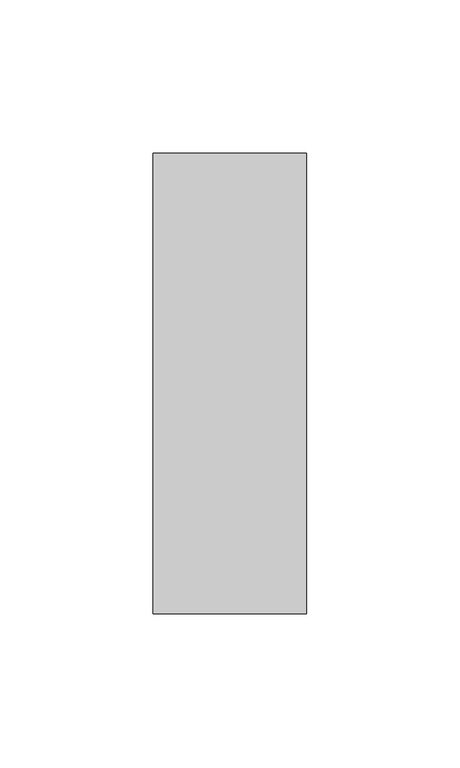
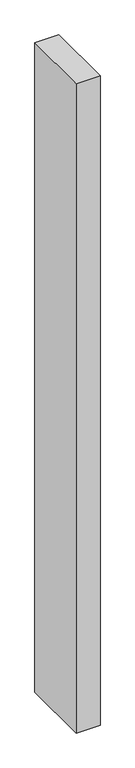
"""IFC4 building model written with IfcOpenShell, lengths in millimetres: member geometry."""

from ifc_helpers import new_model, si_unit, frame, origin, place, context, project, spatial, polyline, outline, extrude, source, transform, mapped, element, save


def member_1cdaa0f1(model_context):
    return source(origin(), model_context, "Body", "SweptSolid", [
        extrude(outline(polyline([(25.0, 75.0), (25.0, -75.0), (-25.0, -75.0), (-25.0, 75.0), (25.0, 75.0)])), frame((0.0, 0.0, -1440.0), z_axis=(0.0, 0.0, 1.0), x_axis=(1.0, 0.0, 0.0)), (0.0, 0.0, 1.0), 1440.0),
    ])


if __name__ == "__main__":
    model = new_model("IFC4")
    model_context = context("Model", 3, world=origin())
    ifc_project = project(units=[si_unit("LENGTHUNIT", "METRE", prefix="MILLI")], contexts=[model_context])
    site = spatial("IfcSite", under=ifc_project)
    building = spatial("IfcBuilding", under=site)
    placement = place(None, origin())
    member_shape = member_1cdaa0f1(model_context)
    element("IfcMember", 1, at=placement, inside=building, context=model_context, shape_type="MappedRepresentation", body=[
        mapped(member_shape, transform((0.0, 0.0, 0.0), x_axis=(1.0, 0.0, 0.0), y_axis=(0.0, 1.0, 0.0), z_axis=(0.0, 0.0, 1.0))),
    ])
    save(model, "model.ifc")
